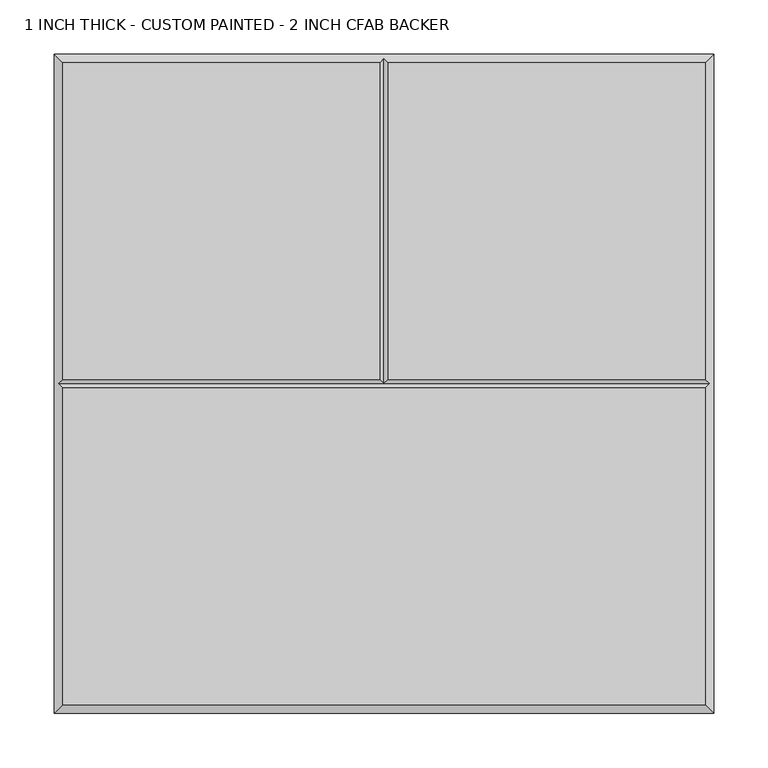
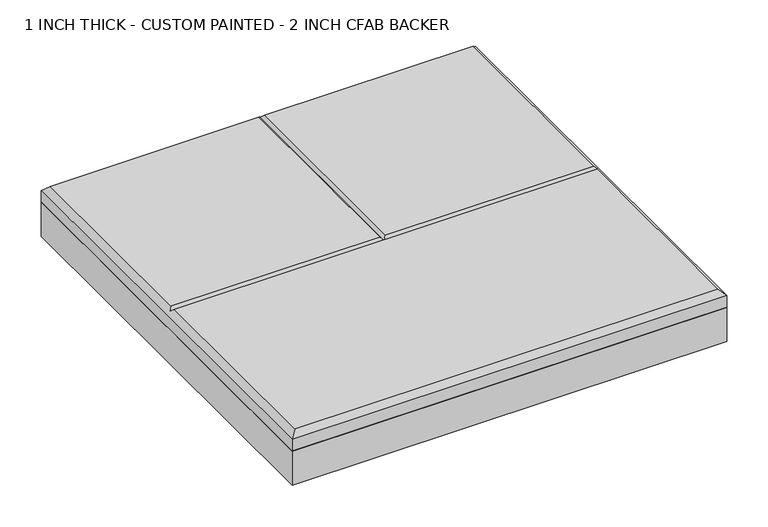
"""IFC4 building model written with IfcOpenShell, lengths in millimetres: proxy geometry, 1 INCH THICK - CUSTOM PAINTED - 2 INCH CFAB BACKER."""

from ifc_helpers import new_model, si_unit, frame, origin, place, context, project, spatial, polyline, outline, extrude, faceted_brep, source, transform, mapped, element, save


def proxy_1_inch_thick_custom_painted_2_inch_cfab_backer_7c389cbc(model_context):
    return source(origin(), model_context, "Body", "SolidModel", [
        extrude(outline(polyline([(-304.8, 304.8), (304.8, 304.8), (304.8, -304.8), (-304.8, -304.8), (-304.8, 304.8)])), frame((0.0, 0.0, -50.8), z_axis=(0.0, 0.0, 1.0), x_axis=(1.0, 0.0, 0.0)), (0.0, 0.0, 1.0), 50.8),
        faceted_brep([(-296.799, -296.799, 25.4), (296.799, -296.799, 25.4), (296.799, -4.0005127, 25.4), (-296.799, -4.0005127, 25.4), (-296.799, 296.799, 25.4), (-296.799, 4.0004873, 25.4), (-4.0005, 4.0004873, 25.4), (-4.0005, 296.799, 25.4), (296.799, 4.0004873, 25.4), (296.799, 296.799, 25.4), (4.0005, 296.799, 25.4), (4.0005, 4.0004873, 25.4), (-304.8, 304.8, 0.0), (304.8, 304.8, 0.0), (304.8, -304.8, 0.0), (-304.8, -304.8, 0.0), (-304.8, -304.8, 17.399), (-304.8, 304.8, 17.399), (304.8, -304.8, 17.399), (304.8, 304.8, 17.399), (0.0, 300.7995, 21.3995), (-300.7995, -1.27e-05, 21.3995), (300.7995, -1.27e-05, 21.3995), (0.0, -1.27e-05, 21.3995)], [[[0, 1, 2, 3]], [[4, 5, 6, 7]], [[8, 9, 10, 11]], [[12, 13, 14, 15]], [[12, 15, 16, 17]], [[15, 14, 18, 16]], [[14, 13, 19, 18]], [[13, 12, 17, 19]], [[17, 4, 7, 20, 10, 9, 19]], [[4, 17, 16, 0, 3, 21, 5]], [[0, 16, 18, 1]], [[19, 9, 8, 22, 2, 1, 18]], [[5, 21, 23, 6]], [[22, 8, 11, 23]], [[3, 2, 22, 23, 21]], [[20, 23, 11, 10]], [[23, 20, 7, 6]]]),
    ])


if __name__ == "__main__":
    model = new_model("IFC4")
    model_context = context("Model", 3, world=origin())
    ifc_project = project(units=[si_unit("LENGTHUNIT", "METRE", prefix="MILLI")], contexts=[model_context])
    site = spatial("IfcSite", under=ifc_project)
    building = spatial("IfcBuilding", under=site)
    placement = place(None, origin())
    proxy_1_inch_thick_custom_painted_2_inch_cfab_backer_shape = proxy_1_inch_thick_custom_painted_2_inch_cfab_backer_7c389cbc(model_context)
    element("IfcBuildingElementProxy", 1, Name="1 INCH THICK - CUSTOM PAINTED - 2 INCH CFAB BACKER", ObjectType="1 INCH THICK - CUSTOM PAINTED - 2 INCH CFAB BACKER", at=placement, inside=building, context=model_context, shape_type="MappedRepresentation", body=[
        mapped(proxy_1_inch_thick_custom_painted_2_inch_cfab_backer_shape, transform((0.0, 0.0, 0.0), x_axis=(1.0, 0.0, 0.0), y_axis=(0.0, 1.0, 0.0), z_axis=(0.0, 0.0, 1.0))),
    ])
    save(model, "model.ifc")
